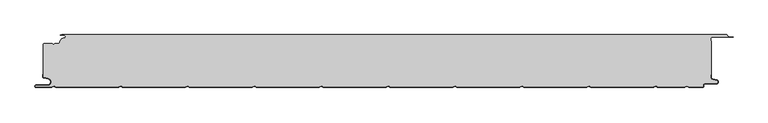
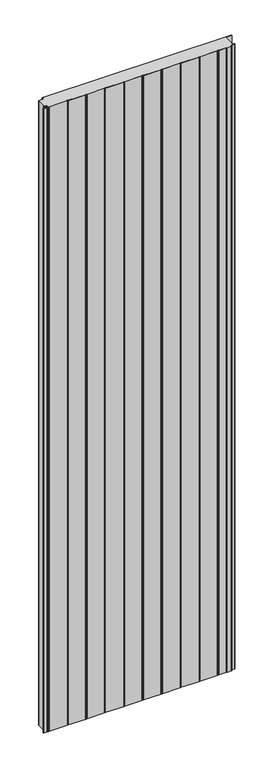
"""IFC4 building model written with IfcOpenShell, lengths in millimetres: plate geometry."""

from ifc_helpers import new_model, si_unit, point, frame, frame_2d, origin, origin_with_axes, place, context, project, spatial, polyline, circle_curve, trimmed, segment, composite_curve, outline, extrude, source, transform, mapped, element, save
from ifc_brep_helpers import plane_surface, cylinder_surface, revolved_surface, advanced_brep


def plate_1eeceeb3(model_context):
    return source(origin(), model_context, "Body", "SolidModel", [
        advanced_brep(
        [(523.8595905, -2.0325427, 3500.0), (522.5460884, -0.8, 3500.0), (-471.6637731, -0.8, 3500.0), (-474.0000003, -1.3234618, 3500.0), (-468.0000003, -1.3234618, 3500.0), (-468.1134423, -5.9206625, 3500.0), (-474.1919837, -12.028303, 3500.0), (-476.0000003, -13.9234618, 3500.0), (-482.1686293, -13.9234618, 3500.0), (-484.0000002, -15.7548327, 3500.0), (-485.831371, -13.9234618, 3500.0), (-497.4, -13.9234618, 3500.0), (-499.2, -15.7234618, 3500.0), (-499.2, -64.0038437, 3500.0), (-498.2083778, -65.185613, 3500.0), (-491.7622998, -66.3222305, 3500.0), (-492.7, -77.0401924, 3500.0), (-509.7, -77.0401924, 3500.0), (-509.7, -79.2401924, 3500.0), (-486.6751286, -79.2401924, 3500.0), (-484.45, -77.9555137, 3500.0), (-482.7606357, -77.9494241, 3500.0), (-480.4557934, -79.2, 3500.0), (-386.6055134, -79.2, 3500.0), (-384.45, -77.9555137, 3500.0), (-382.7606357, -77.9494241, 3500.0), (-380.4557934, -79.2, 3500.0), (-286.6055134, -79.2, 3500.0), (-284.45, -77.9555137, 3500.0), (-282.7606357, -77.9494242, 3500.0), (-280.4557934, -79.2, 3500.0), (-186.6055134, -79.2, 3500.0), (-184.45, -77.9555137, 3500.0), (-182.7606357, -77.9494242, 3500.0), (-180.4557934, -79.2, 3500.0), (-86.6055134, -79.2, 3500.0), (-84.45, -77.9555137, 3500.0), (-82.7606357, -77.9494242, 3500.0), (-80.4557934, -79.2, 3500.0), (13.3944866, -79.2, 3500.0), (15.55, -77.9555137, 3500.0), (17.2393643, -77.9494242, 3500.0), (19.5442066, -79.2, 3500.0), (113.3944866, -79.2, 3500.0), (115.55, -77.9555137, 3500.0), (117.2393643, -77.9494242, 3500.0), (119.5442066, -79.2, 3500.0), (213.3944866, -79.2, 3500.0), (215.55, -77.9555137, 3500.0), (217.2393643, -77.9494242, 3500.0), (219.5442066, -79.2, 3500.0), (313.3944866, -79.2, 3500.0), (315.55, -77.9555137, 3500.0), (317.2393643, -77.9494242, 3500.0), (319.5442066, -79.2, 3500.0), (413.3944866, -79.2, 3500.0), (415.55, -77.9555138, 3500.0), (417.2393643, -77.9494242, 3500.0), (419.5442066, -79.2000001, 3500.0), (460.2243041, -79.2000001, 3500.0), (462.3798174, -77.9555138, 3500.0), (464.0741626, -77.9522634, 3500.0), (466.3793035, -79.2401924, 3500.0), (487.0105556, -79.2401924, 3500.0), (487.6105556, -78.6401924, 3500.0), (487.6105556, -77.2401924, 3500.0), (491.0105556, -73.8401924, 3500.0), (507.5, -73.8401924, 3500.0), (507.9948923, -69.4965783, 3500.0), (501.8351664, -68.0744935, 3500.0), (499.2, -64.7616353, 3500.0), (499.2, -60.6401924, 3500.0), (500.0, -60.6401924, 3500.0), (500.0, -10.3245382, 3500.0), (499.2, -10.3245382, 3500.0), (499.2, -6.8245382, 3500.0), (502.0, -4.0245382, 3500.0), (532.5, -4.0245382, 3500.0), (525.8912786, -3.5911794, 3500.0), (523.8595905, -2.0325427, 0.0), (525.8912786, -3.5911794, 0.0), (532.5, -4.0245382, 0.0), (502.0, -4.0245382, 0.0), (499.2, -6.8245382, 0.0), (499.2, -10.3245382, 0.0), (500.0, -10.3245382, 0.0), (500.0, -60.6401924, 0.0), (499.2, -60.6401924, 0.0), (499.2, -64.7616353, 0.0), (501.8351664, -68.0744935, 0.0), (507.9948923, -69.4965783, 0.0), (507.5, -73.8401924, 0.0), (491.0105556, -73.8401924, 0.0), (487.6105556, -77.2401924, 0.0), (487.6105556, -78.6401924, 0.0), (487.0105556, -79.2401924, 0.0), (466.3793035, -79.2401924, 0.0), (464.0741626, -77.9522634, 0.0), (462.3798174, -77.9555138, 0.0), (460.2243041, -79.2000001, 0.0), (419.5442066, -79.2000001, 0.0), (417.2393643, -77.9494242, 0.0), (415.55, -77.9555138, 0.0), (413.3944866, -79.2, 0.0), (319.5442066, -79.2, 0.0), (317.2393643, -77.9494242, 0.0), (315.55, -77.9555137, 0.0), (313.3944866, -79.2, 0.0), (219.5442066, -79.2, 0.0), (217.2393643, -77.9494242, 0.0), (215.55, -77.9555137, 0.0), (213.3944866, -79.2, 0.0), (119.5442066, -79.2, 0.0), (117.2393643, -77.9494242, 0.0), (115.55, -77.9555137, 0.0), (113.3944866, -79.2, 0.0), (19.5442066, -79.2, 0.0), (17.2393643, -77.9494242, 0.0), (15.55, -77.9555137, 0.0), (13.3944866, -79.2, 0.0), (-80.4557934, -79.2, 0.0), (-82.7606357, -77.9494242, 0.0), (-84.45, -77.9555137, 0.0), (-86.6055134, -79.2, 0.0), (-180.4557934, -79.2, 0.0), (-182.7606357, -77.9494242, 0.0), (-184.45, -77.9555137, 0.0), (-186.6055134, -79.2, 0.0), (-280.4557934, -79.2, 0.0), (-282.7606357, -77.9494242, 0.0), (-284.45, -77.9555137, 0.0), (-286.6055134, -79.2, 0.0), (-380.4557934, -79.2, 0.0), (-382.7606357, -77.9494241, 0.0), (-384.45, -77.9555137, 0.0), (-386.6055134, -79.2, 0.0), (-480.4557934, -79.2, 0.0), (-482.7606357, -77.9494241, 0.0), (-484.45, -77.9555137, 0.0), (-486.6751286, -79.2401924, 0.0), (-509.7, -79.2401924, 0.0), (-509.7, -77.0401924, 0.0), (-492.7, -77.0401924, 0.0), (-491.7622998, -66.3222305, 0.0), (-498.2083778, -65.185613, 0.0), (-499.2, -64.0038437, 0.0), (-499.2, -15.7234618, 0.0), (-497.4, -13.9234618, 0.0), (-485.831371, -13.9234618, 0.0), (-484.0000002, -15.7548327, 0.0), (-482.1686293, -13.9234618, 0.0), (-476.0000003, -13.9234618, 0.0), (-474.2024882, -12.0288559, 0.0), (-468.1139291, -5.930521, 0.0), (-468.0000003, -1.3234618, 0.0), (-474.0000003, -1.3234618, 0.0), (-471.6637731, -0.8, 0.0), (522.5460884, -0.8, 0.0)],
        [
            (0, 1, circle_curve(frame((522.5460884, -2.116161, 3500.0), z_axis=(0.0, 0.0, 1.0), x_axis=(1.0, 0.0, 0.0)), 1.316161)),
            (1, 2),
            (2, 3),
            (3, 4),
            (4, 5, circle_curve(frame((-468.0000003, -3.6234618, 3500.0), z_axis=(0.0, 0.0, -1.0), x_axis=(1.0, 0.0, 0.0)), 2.3)),
            (5, 6, circle_curve(frame((-468.4000003, -11.7234618, 3500.0), z_axis=(0.0, 0.0, 1.0), x_axis=(1.0, 0.0, 0.0)), 5.8)),
            (6, 7, circle_curve(frame((-476.0000003, -12.1234618, 3500.0), z_axis=(0.0, 0.0, -1.0), x_axis=(1.0, 0.0, 0.0)), 1.8)),
            (7, 8),
            (8, 9),
            (9, 10),
            (10, 11),
            (11, 12, circle_curve(frame((-497.4, -15.7234618, 3500.0), z_axis=(0.0, 0.0, 1.0), x_axis=(1.0, 0.0, 0.0)), 1.8)),
            (12, 13),
            (13, 14, circle_curve(frame((-498.0, -64.0038437, 3500.0), z_axis=(0.0, 0.0, 1.0), x_axis=(1.0, 0.0, 0.0)), 1.2)),
            (14, 15),
            (15, 16, circle_curve(frame((-492.7, -71.6401924, 3500.0), z_axis=(0.0, 0.0, -1.0), x_axis=(1.0, 0.0, 0.0)), 5.4)),
            (16, 17),
            (17, 18, circle_curve(frame((-509.7, -78.1401924, 3500.0), z_axis=(0.0, 0.0, 1.0), x_axis=(1.0, 0.0, 0.0)), 1.1)),
            (18, 19),
            (19, 20),
            (20, 21, circle_curve(frame((-483.6, -79.4277569, 3500.0), z_axis=(0.0, 0.0, -1.0), x_axis=(1.0, 0.0, 0.0)), 1.7)),
            (21, 22),
            (22, 23),
            (23, 24),
            (24, 25, circle_curve(frame((-383.6, -79.4277569, 3500.0), z_axis=(0.0, 0.0, -1.0), x_axis=(1.0, 0.0, 0.0)), 1.7)),
            (25, 26),
            (26, 27),
            (27, 28),
            (28, 29, circle_curve(frame((-283.6, -79.4277569, 3500.0), z_axis=(0.0, 0.0, -1.0), x_axis=(1.0, 0.0, 0.0)), 1.7)),
            (29, 30),
            (30, 31),
            (31, 32),
            (32, 33, circle_curve(frame((-183.6, -79.4277569, 3500.0), z_axis=(0.0, 0.0, -1.0), x_axis=(1.0, 0.0, 0.0)), 1.7)),
            (33, 34),
            (34, 35),
            (35, 36),
            (36, 37, circle_curve(frame((-83.6, -79.4277569, 3500.0), z_axis=(0.0, 0.0, -1.0), x_axis=(1.0, 0.0, 0.0)), 1.7)),
            (37, 38),
            (38, 39),
            (39, 40),
            (40, 41, circle_curve(frame((16.4, -79.4277569, 3500.0), z_axis=(0.0, 0.0, -1.0), x_axis=(1.0, 0.0, 0.0)), 1.7)),
            (41, 42),
            (42, 43),
            (43, 44),
            (44, 45, circle_curve(frame((116.4, -79.4277569, 3500.0), z_axis=(0.0, 0.0, -1.0), x_axis=(1.0, 0.0, 0.0)), 1.7)),
            (45, 46),
            (46, 47),
            (47, 48),
            (48, 49, circle_curve(frame((216.4, -79.4277569, 3500.0), z_axis=(0.0, 0.0, -1.0), x_axis=(1.0, 0.0, 0.0)), 1.7)),
            (49, 50),
            (50, 51),
            (51, 52),
            (52, 53, circle_curve(frame((316.4, -79.4277569, 3500.0), z_axis=(0.0, 0.0, -1.0), x_axis=(1.0, 0.0, 0.0)), 1.7)),
            (53, 54),
            (54, 55),
            (55, 56),
            (56, 57, circle_curve(frame((416.4, -79.4277569, 3500.0), z_axis=(0.0, 0.0, -1.0), x_axis=(1.0, 0.0, 0.0)), 1.7)),
            (57, 58),
            (58, 59),
            (59, 60),
            (60, 61, circle_curve(frame((463.2298174, -79.4277569, 3500.0), z_axis=(0.0, 0.0, -1.0), x_axis=(1.0, 0.0, 0.0)), 1.7)),
            (61, 62),
            (62, 63),
            (63, 64, circle_curve(frame((487.0105556, -78.6401924, 3500.0), z_axis=(0.0, 0.0, 1.0), x_axis=(1.0, 0.0, 0.0)), 0.6)),
            (64, 65),
            (65, 66, circle_curve(frame((491.0105556, -77.2401924, 3500.0), z_axis=(0.0, 0.0, -1.0), x_axis=(1.0, 0.0, 0.0)), 3.4)),
            (66, 67),
            (67, 68, circle_curve(frame((507.5, -71.6401924, 3500.0), z_axis=(0.0, 0.0, 1.0), x_axis=(1.0, 0.0, 0.0)), 2.2)),
            (68, 69),
            (69, 70, circle_curve(frame((502.6, -64.7616353, 3500.0), z_axis=(0.0, 0.0, -1.0), x_axis=(1.0, 0.0, 0.0)), 3.4)),
            (70, 71),
            (71, 72),
            (72, 73),
            (73, 74),
            (74, 75),
            (75, 76, circle_curve(frame((502.0, -6.8245382, 3500.0), z_axis=(0.0, 0.0, -1.0), x_axis=(1.0, 0.0, 0.0)), 2.8)),
            (76, 77),
            (77, 78),
            (78, 0, circle_curve(frame((525.5561562, -1.9245382, 3500.0), z_axis=(0.0, 0.0, -1.0), x_axis=(1.0, 0.0, 0.0)), 1.7)),
            (79, 80, circle_curve(frame((525.5561562, -1.9245382, 0.0), z_axis=(0.0, 0.0, 1.0), x_axis=(1.0, 0.0, 0.0)), 1.7)),
            (80, 81),
            (81, 82),
            (82, 83, circle_curve(frame((502.0, -6.8245382, 0.0), z_axis=(0.0, 0.0, 1.0), x_axis=(1.0, 0.0, 0.0)), 2.8)),
            (83, 84),
            (84, 85),
            (85, 86),
            (86, 87),
            (87, 88),
            (88, 89, circle_curve(frame((502.6, -64.7616353, 0.0), z_axis=(0.0, 0.0, 1.0), x_axis=(1.0, 0.0, 0.0)), 3.4)),
            (89, 90),
            (90, 91, circle_curve(frame((507.5, -71.6401924, 0.0), z_axis=(0.0, 0.0, -1.0), x_axis=(1.0, 0.0, 0.0)), 2.2)),
            (91, 92),
            (92, 93, circle_curve(frame((491.0105556, -77.2401924, 0.0), z_axis=(0.0, 0.0, 1.0), x_axis=(1.0, 0.0, 0.0)), 3.4)),
            (93, 94),
            (94, 95, circle_curve(frame((487.0105556, -78.6401924, 0.0), z_axis=(0.0, 0.0, -1.0), x_axis=(1.0, 0.0, 0.0)), 0.6)),
            (95, 96),
            (96, 97),
            (97, 98, circle_curve(frame((463.2298174, -79.4277569, 0.0), z_axis=(0.0, 0.0, 1.0), x_axis=(1.0, 0.0, 0.0)), 1.7)),
            (98, 99),
            (99, 100),
            (100, 101),
            (101, 102, circle_curve(frame((416.4, -79.4277569, 0.0), z_axis=(0.0, 0.0, 1.0), x_axis=(1.0, 0.0, 0.0)), 1.7)),
            (102, 103),
            (103, 104),
            (104, 105),
            (105, 106, circle_curve(frame((316.4, -79.4277569, 0.0), z_axis=(0.0, 0.0, 1.0), x_axis=(1.0, 0.0, 0.0)), 1.7)),
            (106, 107),
            (107, 108),
            (108, 109),
            (109, 110, circle_curve(frame((216.4, -79.4277569, 0.0), z_axis=(0.0, 0.0, 1.0), x_axis=(1.0, 0.0, 0.0)), 1.7)),
            (110, 111),
            (111, 112),
            (112, 113),
            (113, 114, circle_curve(frame((116.4, -79.4277569, 0.0), z_axis=(0.0, 0.0, 1.0), x_axis=(1.0, 0.0, 0.0)), 1.7)),
            (114, 115),
            (115, 116),
            (116, 117),
            (117, 118, circle_curve(frame((16.4, -79.4277569, 0.0), z_axis=(0.0, 0.0, 1.0), x_axis=(1.0, 0.0, 0.0)), 1.7)),
            (118, 119),
            (119, 120),
            (120, 121),
            (121, 122, circle_curve(frame((-83.6, -79.4277569, 0.0), z_axis=(0.0, 0.0, 1.0), x_axis=(1.0, 0.0, 0.0)), 1.7)),
            (122, 123),
            (123, 124),
            (124, 125),
            (125, 126, circle_curve(frame((-183.6, -79.4277569, 0.0), z_axis=(0.0, 0.0, 1.0), x_axis=(1.0, 0.0, 0.0)), 1.7)),
            (126, 127),
            (127, 128),
            (128, 129),
            (129, 130, circle_curve(frame((-283.6, -79.4277569, 0.0), z_axis=(0.0, 0.0, 1.0), x_axis=(1.0, 0.0, 0.0)), 1.7)),
            (130, 131),
            (131, 132),
            (132, 133),
            (133, 134, circle_curve(frame((-383.6, -79.4277569, 0.0), z_axis=(0.0, 0.0, 1.0), x_axis=(1.0, 0.0, 0.0)), 1.7)),
            (134, 135),
            (135, 136),
            (136, 137),
            (137, 138, circle_curve(frame((-483.6, -79.4277569, 0.0), z_axis=(0.0, 0.0, 1.0), x_axis=(1.0, 0.0, 0.0)), 1.7)),
            (138, 139),
            (139, 140),
            (140, 141, circle_curve(frame((-509.7, -78.1401924, 0.0), z_axis=(0.0, 0.0, -1.0), x_axis=(1.0, 0.0, 0.0)), 1.1)),
            (141, 142),
            (142, 143, circle_curve(frame((-492.7, -71.6401924, 0.0), z_axis=(0.0, 0.0, 1.0), x_axis=(1.0, 0.0, 0.0)), 5.4)),
            (143, 144),
            (144, 145, circle_curve(frame((-498.0, -64.0038437, 0.0), z_axis=(0.0, 0.0, -1.0), x_axis=(1.0, 0.0, 0.0)), 1.2)),
            (145, 146),
            (146, 147, circle_curve(frame((-497.4, -15.7234618, 0.0), z_axis=(0.0, 0.0, -1.0), x_axis=(1.0, 0.0, 0.0)), 1.8)),
            (147, 148),
            (148, 149),
            (149, 150),
            (150, 151),
            (151, 152, circle_curve(frame((-476.0000003, -12.1234618, 0.0), z_axis=(0.0, 0.0, 1.0), x_axis=(1.0, 0.0, 0.0)), 1.8)),
            (152, 153, circle_curve(frame((-468.4000003, -11.7234618, 0.0), z_axis=(0.0, 0.0, -1.0), x_axis=(1.0, 0.0, 0.0)), 5.8)),
            (153, 154, circle_curve(frame((-468.0000003, -3.6234618, 0.0), z_axis=(0.0, 0.0, 1.0), x_axis=(1.0, 0.0, 0.0)), 2.3)),
            (154, 155),
            (155, 156),
            (156, 157),
            (157, 79, circle_curve(frame((522.5460884, -2.116161, 0.0), z_axis=(0.0, 0.0, -1.0), x_axis=(1.0, 0.0, 0.0)), 1.316161)),
            (0, 79),
            (157, 1),
            (156, 2),
            (155, 3),
            (154, 4),
            (153, 5),
            (152, 6),
            (151, 7),
            (150, 8),
            (149, 9),
            (148, 10),
            (147, 11),
            (146, 12),
            (145, 13),
            (144, 14),
            (143, 15),
            (142, 16),
            (141, 17),
            (140, 18),
            (139, 19),
            (138, 20),
            (137, 21),
            (136, 22),
            (135, 23),
            (134, 24),
            (133, 25),
            (132, 26),
            (131, 27),
            (130, 28),
            (129, 29),
            (128, 30),
            (127, 31),
            (126, 32),
            (125, 33),
            (124, 34),
            (123, 35),
            (122, 36),
            (121, 37),
            (120, 38),
            (119, 39),
            (118, 40),
            (117, 41),
            (116, 42),
            (115, 43),
            (114, 44),
            (113, 45),
            (112, 46),
            (111, 47),
            (110, 48),
            (109, 49),
            (108, 50),
            (107, 51),
            (106, 52),
            (105, 53),
            (104, 54),
            (103, 55),
            (102, 56),
            (101, 57),
            (100, 58),
            (99, 59),
            (98, 60),
            (97, 61),
            (96, 62),
            (95, 63),
            (94, 64),
            (93, 65),
            (92, 66),
            (91, 67),
            (90, 68),
            (89, 69),
            (88, 70),
            (87, 71),
            (86, 72),
            (85, 73),
            (84, 74),
            (83, 75),
            (82, 76),
            (81, 77),
            (80, 78),
        ],
        [
            plane_surface(frame((-500.0, -80.0, 3500.0), z_axis=(0.0, 0.0, 1.0), x_axis=(0.0, 1.0, 0.0))),
            plane_surface(frame((-500.0, -80.0, 0.0), z_axis=(0.0, 0.0, -1.0), x_axis=(0.0, 1.0, 0.0))),
            cylinder_surface(frame((522.5460884, -2.116161, 3500.0), z_axis=(0.0, 0.0, 1.0), x_axis=(1.0, 0.0, 0.0)), 1.316161),
            plane_surface(frame((522.5460884, -0.8, 3500.0), z_axis=(0.0, 1.0, 0.0), x_axis=(0.0, 0.0, -1.0))),
            plane_surface(frame((-471.6637731, -0.8, 3500.0), z_axis=(-0.21864173282829805, 0.9758052022129412, 0.0), x_axis=(0.0, 0.0, -1.0))),
            plane_surface(frame((-474.0000003, -1.3234618, 3500.0), z_axis=(0.0, -1.0, 0.0), x_axis=(0.0, 0.0, -1.0))),
            revolved_surface(polyline([(-465.7000003, -3.6234618, 0.0), (-465.7000003, -3.6234618, 3500.0)]), (-468.0000003, -3.6234618, 3500.0), (0.0, 0.0, -1.0)),
            cylinder_surface(frame((-468.4000003, -11.7234618, 3500.0), z_axis=(0.0, 0.0, 1.0), x_axis=(1.0, 0.0, 0.0)), 5.8),
            revolved_surface(polyline([(-474.2000003, -12.1234618, 0.0), (-474.2000003, -12.1234618, 3500.0)]), (-476.0000003, -12.1234618, 3500.0), (0.0, 0.0, -1.0)),
            plane_surface(frame((-476.0000003, -13.9234618, 3500.0), z_axis=(0.0, 1.0, 0.0), x_axis=(0.0, 0.0, -1.0))),
            plane_surface(frame((-482.1686293, -13.9234618, 3500.0), z_axis=(-0.7071067810231402, 0.7071067813499549, 0.0), x_axis=(0.0, 0.0, -1.0))),
            plane_surface(frame((-484.0000002, -15.7548327, 3500.0), z_axis=(0.7071067813499549, 0.7071067810231403, 0.0), x_axis=(0.0, 0.0, -1.0))),
            plane_surface(frame((-485.831371, -13.9234618, 3500.0), z_axis=(0.0, 1.0, 0.0), x_axis=(0.0, 0.0, -1.0))),
            cylinder_surface(frame((-497.4, -15.7234618, 3500.0), z_axis=(0.0, 0.0, 1.0), x_axis=(1.0, 0.0, 0.0)), 1.8),
            plane_surface(frame((-499.2, -17.1226667, 3500.0), z_axis=(-1.0, 0.0, 0.0), x_axis=(0.0, 0.0, -1.0))),
            cylinder_surface(frame((-498.0, -64.0038437, 3500.0), z_axis=(0.0, 0.0, 1.0), x_axis=(1.0, 0.0, 0.0)), 1.2),
            plane_surface(frame((-498.2083778, -65.185613, 3500.0), z_axis=(-0.1736481776669248, -0.984807753012209, 0.0), x_axis=(0.0, 0.0, -1.0))),
            revolved_surface(polyline([(-487.3, -71.6401924, 0.0), (-487.3, -71.6401924, 3500.0)]), (-492.7, -71.6401924, 3500.0), (0.0, 0.0, -1.0)),
            plane_surface(frame((-492.7, -77.0401924, 3500.0), z_axis=(0.0, 1.0, 0.0), x_axis=(0.0, 0.0, -1.0))),
            cylinder_surface(frame((-509.7, -78.1401924, 3500.0), z_axis=(0.0, 0.0, 1.0), x_axis=(1.0, 0.0, 0.0)), 1.1),
            plane_surface(frame((-509.7, -79.2401924, 3500.0), z_axis=(0.0, -1.0, 0.0), x_axis=(0.0, 0.0, -1.0))),
            plane_surface(frame((-486.6751286, -79.2401924, 3500.0), z_axis=(0.5000000299311667, -0.8660253865036709, 0.0), x_axis=(0.0, 0.0, -1.0))),
            revolved_surface(polyline([(-481.90000000000003, -79.4277569, 0.0), (-481.90000000000003, -79.4277569, 3500.0)]), (-483.6, -79.4277569, 3500.0), (0.0, 0.0, -1.0)),
            plane_surface(frame((-482.7606357, -77.9494241, 3500.0), z_axis=(-0.47690797328217005, -0.878953232555574, 0.0), x_axis=(0.0, 0.0, -1.0))),
            plane_surface(frame((-480.4557934, -79.2, 3500.0), z_axis=(0.0, -1.0, 0.0), x_axis=(0.0, 0.0, -1.0))),
            plane_surface(frame((-386.6055134, -79.2, 3500.0), z_axis=(0.5000000299307237, -0.8660253865039267, 0.0), x_axis=(0.0, 0.0, -1.0))),
            revolved_surface(polyline([(-381.90000000000003, -79.4277569, 0.0), (-381.90000000000003, -79.4277569, 3500.0)]), (-383.6, -79.4277569, 3500.0), (0.0, 0.0, -1.0)),
            plane_surface(frame((-382.7606357, -77.9494241, 3500.0), z_axis=(-0.4769079732821666, -0.8789532325555759, 0.0), x_axis=(0.0, 0.0, -1.0))),
            plane_surface(frame((-380.4557934, -79.2, 3500.0), z_axis=(0.0, -1.0, 0.0), x_axis=(0.0, 0.0, -1.0))),
            plane_surface(frame((-286.6055134, -79.2, 3500.0), z_axis=(0.5000000299311692, -0.8660253865036693, 0.0), x_axis=(0.0, 0.0, -1.0))),
            revolved_surface(polyline([(-281.90000000000003, -79.4277569, 0.0), (-281.90000000000003, -79.4277569, 3500.0)]), (-283.6, -79.4277569, 3500.0), (0.0, 0.0, -1.0)),
            plane_surface(frame((-282.7606357, -77.9494242, 3500.0), z_axis=(-0.4769079732821966, -0.8789532325555597, 0.0), x_axis=(0.0, 0.0, -1.0))),
            plane_surface(frame((-280.4557934, -79.2, 3500.0), z_axis=(0.0, -1.0, 0.0), x_axis=(0.0, 0.0, -1.0))),
            plane_surface(frame((-186.6055134, -79.2, 3500.0), z_axis=(0.5000000299307252, -0.8660253865039258, 0.0), x_axis=(0.0, 0.0, -1.0))),
            revolved_surface(polyline([(-181.9, -79.4277569, 0.0), (-181.9, -79.4277569, 3500.0)]), (-183.6, -79.4277569, 3500.0), (0.0, 0.0, -1.0)),
            plane_surface(frame((-182.7606357, -77.9494242, 3500.0), z_axis=(-0.4769079732823461, -0.8789532325554785, 0.0), x_axis=(0.0, 0.0, -1.0))),
            plane_surface(frame((-180.4557934, -79.2, 3500.0), z_axis=(0.0, -1.0, 0.0), x_axis=(0.0, 0.0, -1.0))),
            plane_surface(frame((-86.6055134, -79.2, 3500.0), z_axis=(0.5000000299313181, -0.8660253865035835, 0.0), x_axis=(0.0, 0.0, -1.0))),
            revolved_surface(polyline([(-81.89999999999999, -79.4277569, 0.0), (-81.89999999999999, -79.4277569, 3500.0)]), (-83.6, -79.4277569, 3500.0), (0.0, 0.0, -1.0)),
            plane_surface(frame((-82.7606357, -77.9494242, 3500.0), z_axis=(-0.4769079732823407, -0.8789532325554815, 0.0), x_axis=(0.0, 0.0, -1.0))),
            plane_surface(frame((-80.4557934, -79.2, 3500.0), z_axis=(0.0, -1.0, 0.0), x_axis=(0.0, 0.0, -1.0))),
            plane_surface(frame((13.3944866, -79.2, 3500.0), z_axis=(0.500000029930723, -0.866025386503927, 0.0), x_axis=(0.0, 0.0, -1.0))),
            revolved_surface(polyline([(18.099999999999998, -79.4277569, 0.0), (18.099999999999998, -79.4277569, 3500.0)]), (16.4, -79.4277569, 3500.0), (0.0, 0.0, -1.0)),
            plane_surface(frame((17.2393643, -77.9494242, 3500.0), z_axis=(-0.4769079732822356, -0.8789532325555385, 0.0), x_axis=(0.0, 0.0, -1.0))),
            plane_surface(frame((19.5442066, -79.2, 3500.0), z_axis=(0.0, -1.0, 0.0), x_axis=(0.0, 0.0, -1.0))),
            plane_surface(frame((113.3944866, -79.2, 3500.0), z_axis=(0.5000000299311671, -0.8660253865036706, 0.0), x_axis=(0.0, 0.0, -1.0))),
            revolved_surface(polyline([(118.10000000000001, -79.4277569, 0.0), (118.10000000000001, -79.4277569, 3500.0)]), (116.4, -79.4277569, 3500.0), (0.0, 0.0, -1.0)),
            plane_surface(frame((117.2393643, -77.9494242, 3500.0), z_axis=(-0.4769079732821772, -0.8789532325555701, 0.0), x_axis=(0.0, 0.0, -1.0))),
            plane_surface(frame((119.5442066, -79.2, 3500.0), z_axis=(0.0, -1.0, 0.0), x_axis=(0.0, 0.0, -1.0))),
            plane_surface(frame((213.3944866, -79.2, 3500.0), z_axis=(0.5000000299307268, -0.8660253865039248, 0.0), x_axis=(0.0, 0.0, -1.0))),
            revolved_surface(polyline([(218.1, -79.4277569, 0.0), (218.1, -79.4277569, 3500.0)]), (216.4, -79.4277569, 3500.0), (0.0, 0.0, -1.0)),
            plane_surface(frame((217.2393643, -77.9494242, 3500.0), z_axis=(-0.4769079732821906, -0.8789532325555629, 0.0), x_axis=(0.0, 0.0, -1.0))),
            plane_surface(frame((219.5442066, -79.2, 3500.0), z_axis=(0.0, -1.0, 0.0), x_axis=(0.0, 0.0, -1.0))),
            plane_surface(frame((313.3944866, -79.2, 3500.0), z_axis=(0.5000000299311079, -0.8660253865037049, 0.0), x_axis=(0.0, 0.0, -1.0))),
            revolved_surface(polyline([(318.09999999999997, -79.4277569, 0.0), (318.09999999999997, -79.4277569, 3500.0)]), (316.4, -79.4277569, 3500.0), (0.0, 0.0, -1.0)),
            plane_surface(frame((317.2393643, -77.9494242, 3500.0), z_axis=(-0.476907973282159, -0.8789532325555801, 0.0), x_axis=(0.0, 0.0, -1.0))),
            plane_surface(frame((319.5442066, -79.2, 3500.0), z_axis=(0.0, -1.0, 0.0), x_axis=(0.0, 0.0, -1.0))),
            plane_surface(frame((413.3944866, -79.2, 3500.0), z_axis=(0.5000000299307292, -0.8660253865039235, 0.0), x_axis=(0.0, 0.0, -1.0))),
            revolved_surface(polyline([(418.09999999999997, -79.4277569, 0.0), (418.09999999999997, -79.4277569, 3500.0)]), (416.4, -79.4277569, 3500.0), (0.0, 0.0, -1.0)),
            plane_surface(frame((417.2393643, -77.9494242, 3500.0), z_axis=(-0.47690797328237156, -0.8789532325554646, 0.0), x_axis=(0.0, 0.0, -1.0))),
            plane_surface(frame((419.5442066, -79.2000001, 3500.0), z_axis=(0.0, -1.0, 0.0), x_axis=(0.0, 0.0, -1.0))),
            plane_surface(frame((460.2243041, -79.2000001, 3500.0), z_axis=(0.5000000299306834, -0.86602538650395, 0.0), x_axis=(0.0, 0.0, -1.0))),
            revolved_surface(polyline([(464.9298174, -79.4277569, 0.0), (464.9298174, -79.4277569, 3500.0)]), (463.2298174, -79.4277569, 3500.0), (0.0, 0.0, -1.0)),
            plane_surface(frame((464.0741626, -77.9522634, 3500.0), z_axis=(-0.48775269747067673, -0.8729818475260975, 0.0), x_axis=(0.0, 0.0, -1.0))),
            plane_surface(frame((466.3793035, -79.2401924, 3500.0), z_axis=(0.0, -1.0, 0.0), x_axis=(0.0, 0.0, -1.0))),
            cylinder_surface(frame((487.0105556, -78.6401924, 3500.0), z_axis=(0.0, 0.0, 1.0), x_axis=(1.0, 0.0, 0.0)), 0.6),
            plane_surface(frame((487.6105556, -78.6401924, 3500.0), z_axis=(1.0, 0.0, 0.0), x_axis=(0.0, 0.0, -1.0))),
            revolved_surface(polyline([(494.41055559999995, -77.2401924, 0.0), (494.41055559999995, -77.2401924, 3500.0)]), (491.0105556, -77.2401924, 3500.0), (0.0, 0.0, -1.0)),
            plane_surface(frame((491.0105556, -73.8401924, 3500.0), z_axis=(0.0, -1.0, 0.0), x_axis=(0.0, 0.0, -1.0))),
            cylinder_surface(frame((507.5, -71.6401924, 3500.0), z_axis=(0.0, 0.0, 1.0), x_axis=(1.0, 0.0, 0.0)), 2.2),
            plane_surface(frame((507.9948923, -69.4965783, 3500.0), z_axis=(0.22495105434371662, 0.9743700647852696, 0.0), x_axis=(0.0, 0.0, -1.0))),
            revolved_surface(polyline([(506.0, -64.7616353, 0.0), (506.0, -64.7616353, 3500.0)]), (502.6, -64.7616353, 3500.0), (0.0, 0.0, -1.0)),
            plane_surface(frame((499.2, -64.7616353, 3500.0), z_axis=(1.0, 0.0, 0.0), x_axis=(0.0, 0.0, -1.0))),
            plane_surface(frame((499.2, -60.6401924, 3500.0), z_axis=(0.0, -1.0, 0.0), x_axis=(0.0, 0.0, -1.0))),
            plane_surface(frame((500.0, -60.6401924, 3500.0), z_axis=(1.0, 0.0, 0.0), x_axis=(0.0, 0.0, -1.0))),
            plane_surface(frame((500.0, -10.3245382, 3500.0), z_axis=(0.0, 1.0, 0.0), x_axis=(0.0, 0.0, -1.0))),
            plane_surface(frame((499.2, -10.3245382, 3500.0), z_axis=(1.0, 0.0, 0.0), x_axis=(0.0, 0.0, -1.0))),
            revolved_surface(polyline([(504.8, -6.8245382, 0.0), (504.8, -6.8245382, 3500.0)]), (502.0, -6.8245382, 3500.0), (0.0, 0.0, -1.0)),
            plane_surface(frame((502.0, -4.0245382, 3500.0), z_axis=(0.0, -1.0, 0.0), x_axis=(0.0, 0.0, -1.0))),
            plane_surface(frame((532.5, -4.0245382, 3500.0), z_axis=(0.06543324256078456, 0.9978569490503043, 0.0), x_axis=(0.0, 0.0, -1.0))),
            revolved_surface(polyline([(527.2561562000001, -1.9245382, 0.0), (527.2561562000001, -1.9245382, 3500.0)]), (525.5561562, -1.9245382, 3500.0), (0.0, 0.0, -1.0)),
        ],
        [
            (0, [[1, 2, 3, 4, 5, 6, 7, 8, 9, 10, 11, 12, 13, 14, 15, 16, 17, 18, 19, 20, 21, 22, 23, 24, 25, 26, 27, 28, 29, 30, 31, 32, 33, 34, 35, 36, 37, 38, 39, 40, 41, 42, 43, 44, 45, 46, 47, 48, 49, 50, 51, 52, 53, 54, 55, 56, 57, 58, 59, 60, 61, 62, 63, 64, 65, 66, 67, 68, 69, 70, 71, 72, 73, 74, 75, 76, 77, 78, 79]]),
            (1, [[80, 81, 82, 83, 84, 85, 86, 87, 88, 89, 90, 91, 92, 93, 94, 95, 96, 97, 98, 99, 100, 101, 102, 103, 104, 105, 106, 107, 108, 109, 110, 111, 112, 113, 114, 115, 116, 117, 118, 119, 120, 121, 122, 123, 124, 125, 126, 127, 128, 129, 130, 131, 132, 133, 134, 135, 136, 137, 138, 139, 140, 141, 142, 143, 144, 145, 146, 147, 148, 149, 150, 151, 152, 153, 154, 155, 156, 157, 158]]),
            (2, [[-1, 159, -158, 160]]),
            (3, [[-2, -160, -157, 161]]),
            (4, [[-3, -161, -156, 162]]),
            (5, [[-4, -162, -155, 163]]),
            (6, [[-5, -163, -154, 164]]),
            (7, [[-6, -164, -153, 165]]),
            (8, [[-7, -165, -152, 166]]),
            (9, [[-8, -166, -151, 167]]),
            (10, [[-9, -167, -150, 168]]),
            (11, [[-10, -168, -149, 169]]),
            (12, [[-11, -169, -148, 170]]),
            (13, [[-12, -170, -147, 171]]),
            (14, [[-171, -146, 172, -13]]),
            (15, [[-14, -172, -145, 173]]),
            (16, [[-15, -173, -144, 174]]),
            (17, [[-16, -174, -143, 175]]),
            (18, [[-17, -175, -142, 176]]),
            (19, [[-18, -176, -141, 177]]),
            (20, [[-19, -177, -140, 178]]),
            (21, [[-20, -178, -139, 179]]),
            (22, [[-21, -179, -138, 180]]),
            (23, [[-22, -180, -137, 181]]),
            (24, [[-23, -181, -136, 182]]),
            (25, [[-24, -182, -135, 183]]),
            (26, [[-25, -183, -134, 184]]),
            (27, [[-26, -184, -133, 185]]),
            (28, [[-27, -185, -132, 186]]),
            (29, [[-28, -186, -131, 187]]),
            (30, [[-29, -187, -130, 188]]),
            (31, [[-30, -188, -129, 189]]),
            (32, [[-31, -189, -128, 190]]),
            (33, [[-32, -190, -127, 191]]),
            (34, [[-33, -191, -126, 192]]),
            (35, [[-34, -192, -125, 193]]),
            (36, [[-35, -193, -124, 194]]),
            (37, [[-36, -194, -123, 195]]),
            (38, [[-37, -195, -122, 196]]),
            (39, [[-38, -196, -121, 197]]),
            (40, [[-39, -197, -120, 198]]),
            (41, [[-40, -198, -119, 199]]),
            (42, [[-41, -199, -118, 200]]),
            (43, [[-42, -200, -117, 201]]),
            (44, [[-43, -201, -116, 202]]),
            (45, [[-44, -202, -115, 203]]),
            (46, [[-45, -203, -114, 204]]),
            (47, [[-46, -204, -113, 205]]),
            (48, [[-47, -205, -112, 206]]),
            (49, [[-48, -206, -111, 207]]),
            (50, [[-49, -207, -110, 208]]),
            (51, [[-50, -208, -109, 209]]),
            (52, [[-51, -209, -108, 210]]),
            (53, [[-52, -210, -107, 211]]),
            (54, [[-53, -211, -106, 212]]),
            (55, [[-54, -212, -105, 213]]),
            (56, [[-55, -213, -104, 214]]),
            (57, [[-56, -214, -103, 215]]),
            (58, [[-57, -215, -102, 216]]),
            (59, [[-58, -216, -101, 217]]),
            (60, [[-59, -217, -100, 218]]),
            (61, [[-60, -218, -99, 219]]),
            (62, [[-61, -219, -98, 220]]),
            (63, [[-62, -220, -97, 221]]),
            (64, [[-63, -221, -96, 222]]),
            (65, [[-64, -222, -95, 223]]),
            (66, [[-65, -223, -94, 224]]),
            (67, [[-66, -224, -93, 225]]),
            (68, [[-67, -225, -92, 226]]),
            (69, [[-68, -226, -91, 227]]),
            (70, [[-69, -227, -90, 228]]),
            (71, [[-70, -228, -89, 229]]),
            (72, [[-71, -229, -88, 230]]),
            (73, [[-72, -230, -87, 231]]),
            (74, [[-73, -231, -86, 232]]),
            (75, [[-74, -232, -85, 233]]),
            (76, [[-75, -233, -84, 234]]),
            (77, [[-76, -234, -83, 235]]),
            (78, [[-77, -235, -82, 236]]),
            (79, [[-78, -236, -81, 237]]),
            (80, [[-79, -237, -80, -159]]),
        ],
    ),
        extrude(outline(composite_curve([segment(trimmed(circle_curve(frame_2d((-498.0, -63.9636514)), 2.0), [point((-498.3472964, -65.9332669))], [point((-500.0, -63.9636514))], False, "CARTESIAN"), True, "CONTINUOUS"), segment(polyline([(-500.0, -63.9636514), (-500.0, -60.6), (-499.2, -60.6), (-499.2, -63.9636514)]), True, "CONTINUOUS"), segment(trimmed(circle_curve(frame_2d((-498.0, -63.9636514)), 1.2), [point((-499.2, -63.9636514))], [point((-498.2083778, -65.1454207))], True, "CARTESIAN"), True, "CONTINUOUS"), segment(polyline([(-498.2083778, -65.1454207), (-491.7622998, -66.2820381)]), True, "CONTINUOUS"), segment(trimmed(circle_curve(frame_2d((-492.7, -71.6)), 5.4), [point((-491.7622998, -66.2820381))], [point((-492.7, -77.0))], False, "CARTESIAN"), True, "CONTINUOUS"), segment(polyline([(-492.7, -77.0), (-509.7, -77.0)]), True, "CONTINUOUS"), segment(trimmed(circle_curve(frame_2d((-509.7, -78.1)), 1.1), [point((-509.7, -77.0))], [point((-509.7, -79.2))], True, "CARTESIAN"), True, "CONTINUOUS"), segment(polyline([(-509.7, -79.2), (-486.6751286, -79.2), (-484.45, -77.9153213)]), True, "CONTINUOUS"), segment(trimmed(circle_curve(frame_2d((-483.6, -79.3875645)), 1.7), [point((-484.45, -77.9153213))], [point((-482.7606357, -77.9092318))], False, "CARTESIAN"), True, "CONTINUOUS"), segment(polyline([(-482.7606357, -77.9092318), (-480.4557934, -79.1598076), (-386.6055134, -79.1598076), (-384.4500001, -77.9153213)]), True, "CONTINUOUS"), segment(trimmed(circle_curve(frame_2d((-383.6, -79.3875645)), 1.7), [point((-384.4500001, -77.9153213))], [point((-382.7606357, -77.9092318))], False, "CARTESIAN"), True, "CONTINUOUS"), segment(polyline([(-382.7606357, -77.9092318), (-380.4557934, -79.1598076), (-286.6055134, -79.1598076), (-284.4500001, -77.9153213)]), True, "CONTINUOUS"), segment(trimmed(circle_curve(frame_2d((-283.6, -79.3875645)), 1.7), [point((-284.4500001, -77.9153213))], [point((-282.7606357, -77.9092318))], False, "CARTESIAN"), True, "CONTINUOUS"), segment(polyline([(-282.7606357, -77.9092318), (-280.4557934, -79.1598076), (-186.6055134, -79.1598076), (-184.4500001, -77.9153213)]), True, "CONTINUOUS"), segment(trimmed(circle_curve(frame_2d((-183.6, -79.3875645)), 1.7), [point((-184.4500001, -77.9153213))], [point((-182.7606357, -77.9092318))], False, "CARTESIAN"), True, "CONTINUOUS"), segment(polyline([(-182.7606357, -77.9092318), (-180.4557934, -79.1598076), (-86.6055134, -79.1598076), (-84.4500001, -77.9153214)]), True, "CONTINUOUS"), segment(trimmed(circle_curve(frame_2d((-83.6, -79.3875645)), 1.7), [point((-84.4500001, -77.9153214))], [point((-82.7606357, -77.9092318))], False, "CARTESIAN"), True, "CONTINUOUS"), segment(polyline([(-82.7606357, -77.9092318), (-80.4557934, -79.1598077), (13.3944866, -79.1598077), (15.5499999, -77.9153214)]), True, "CONTINUOUS"), segment(trimmed(circle_curve(frame_2d((16.4, -79.3875645)), 1.7), [point((15.5499999, -77.9153214))], [point((17.2393643, -77.9092318))], False, "CARTESIAN"), True, "CONTINUOUS"), segment(polyline([(17.2393643, -77.9092318), (19.5442066, -79.1598077), (113.3944866, -79.1598077), (115.5499999, -77.9153214)]), True, "CONTINUOUS"), segment(trimmed(circle_curve(frame_2d((116.4, -79.3875645)), 1.7), [point((115.5499999, -77.9153214))], [point((117.2393643, -77.9092318))], False, "CARTESIAN"), True, "CONTINUOUS"), segment(polyline([(117.2393643, -77.9092318), (119.5442066, -79.1598077), (213.3944866, -79.1598077), (215.5499999, -77.9153214)]), True, "CONTINUOUS"), segment(trimmed(circle_curve(frame_2d((216.4, -79.3875645)), 1.7), [point((215.5499999, -77.9153214))], [point((217.2393643, -77.9092318))], False, "CARTESIAN"), True, "CONTINUOUS"), segment(polyline([(217.2393643, -77.9092318), (219.5442066, -79.1598077), (313.3944866, -79.1598077), (315.5499999, -77.9153214)]), True, "CONTINUOUS"), segment(trimmed(circle_curve(frame_2d((316.4, -79.3875645)), 1.7), [point((315.5499999, -77.9153214))], [point((317.2393643, -77.9092318))], False, "CARTESIAN"), True, "CONTINUOUS"), segment(polyline([(317.2393643, -77.9092318), (319.5442066, -79.1598077), (413.3944866, -79.1598077), (415.5499999, -77.9153214)]), True, "CONTINUOUS"), segment(trimmed(circle_curve(frame_2d((416.4, -79.3875645)), 1.7), [point((415.5499999, -77.9153214))], [point((417.2393643, -77.9092318))], False, "CARTESIAN"), True, "CONTINUOUS"), segment(polyline([(417.2393643, -77.9092318), (419.5442066, -79.1598077), (460.224304, -79.1598077), (462.3798174, -77.9153214)]), True, "CONTINUOUS"), segment(trimmed(circle_curve(frame_2d((463.2298174, -79.3875646)), 1.7), [point((462.3798174, -77.9153214))], [point((464.0741625, -77.912071))], False, "CARTESIAN"), True, "CONTINUOUS"), segment(polyline([(464.0741625, -77.912071), (466.3793035, -79.2), (487.0105556, -79.2)]), True, "CONTINUOUS"), segment(trimmed(circle_curve(frame_2d((487.0105556, -78.6)), 0.6), [point((487.0105556, -79.2))], [point((487.6105556, -78.6))], True, "CARTESIAN"), True, "CONTINUOUS"), segment(polyline([(487.6105556, -78.6), (487.6105556, -77.2)]), True, "CONTINUOUS"), segment(trimmed(circle_curve(frame_2d((491.0105556, -77.2)), 3.4), [point((487.6105556, -77.2))], [point((491.0105556, -73.8))], False, "CARTESIAN"), True, "CONTINUOUS"), segment(polyline([(491.0105556, -73.8), (507.5, -73.8)]), True, "CONTINUOUS"), segment(trimmed(circle_curve(frame_2d((507.5, -71.6)), 2.2), [point((507.5, -73.8))], [point((507.9948923, -69.4563859))], True, "CARTESIAN"), True, "CONTINUOUS"), segment(polyline([(507.9948923, -69.4563859), (501.8351664, -68.0343011)]), True, "CONTINUOUS"), segment(trimmed(circle_curve(frame_2d((502.6, -64.7214429)), 3.4), [point((501.8351664, -68.0343011))], [point((499.2, -64.7214429))], False, "CARTESIAN"), True, "CONTINUOUS"), segment(polyline([(499.2, -64.7214429), (499.2, -60.6), (500.0, -60.6), (500.0, -64.7214429)]), True, "CONTINUOUS"), segment(trimmed(circle_curve(frame_2d((502.6, -64.7214429)), 2.6), [point((500.0, -64.7214429))], [point((502.0151273, -67.2548051))], True, "CARTESIAN"), True, "CONTINUOUS"), segment(polyline([(502.0151273, -67.2548051), (508.1748532, -68.6768899)]), True, "CONTINUOUS"), segment(trimmed(circle_curve(frame_2d((507.5, -71.6)), 3.0), [point((508.1748532, -68.6768899))], [point((507.5, -74.6))], False, "CARTESIAN"), True, "CONTINUOUS"), segment(polyline([(507.5, -74.6), (491.0105556, -74.6)]), True, "CONTINUOUS"), segment(trimmed(circle_curve(frame_2d((491.0105556, -77.2)), 2.6), [point((491.0105556, -74.6))], [point((488.4105556, -77.2))], True, "CARTESIAN"), True, "CONTINUOUS"), segment(polyline([(488.4105556, -77.2), (488.4105556, -78.6)]), True, "CONTINUOUS"), segment(trimmed(circle_curve(frame_2d((487.0105556, -78.6)), 1.4), [point((488.4105556, -78.6))], [point((487.0105556, -80.0))], False, "CARTESIAN"), True, "CONTINUOUS"), segment(polyline([(487.0105556, -80.0), (466.1709714, -80.0), (463.6798174, -78.6081417)]), True, "CONTINUOUS"), segment(trimmed(circle_curve(frame_2d((463.2298174, -79.3875646)), 0.9), [point((463.6798174, -78.6081417))], [point((462.7798174, -78.6081417))], True, "CARTESIAN"), True, "CONTINUOUS"), segment(polyline([(462.7798174, -78.6081417), (460.4386634, -79.9598077), (419.341154, -79.9598077), (416.85, -78.6081417)]), True, "CONTINUOUS"), segment(trimmed(circle_curve(frame_2d((416.4, -79.3875645)), 0.9), [point((416.85, -78.6081417))], [point((415.95, -78.6081417))], True, "CARTESIAN"), True, "CONTINUOUS"), segment(polyline([(415.95, -78.6081417), (413.608846, -79.9598077), (319.341154, -79.9598077), (316.85, -78.6081417)]), True, "CONTINUOUS"), segment(trimmed(circle_curve(frame_2d((316.4, -79.3875645)), 0.9), [point((316.85, -78.6081417))], [point((315.95, -78.6081417))], True, "CARTESIAN"), True, "CONTINUOUS"), segment(polyline([(315.95, -78.6081417), (313.608846, -79.9598077), (219.341154, -79.9598077), (216.85, -78.6081417)]), True, "CONTINUOUS"), segment(trimmed(circle_curve(frame_2d((216.4, -79.3875645)), 0.9), [point((216.85, -78.6081417))], [point((215.95, -78.6081417))], True, "CARTESIAN"), True, "CONTINUOUS"), segment(polyline([(215.95, -78.6081417), (213.608846, -79.9598077), (119.341154, -79.9598077), (116.85, -78.6081417)]), True, "CONTINUOUS"), segment(trimmed(circle_curve(frame_2d((116.4, -79.3875645)), 0.9), [point((116.85, -78.6081417))], [point((115.95, -78.6081417))], True, "CARTESIAN"), True, "CONTINUOUS"), segment(polyline([(115.95, -78.6081417), (113.608846, -79.9598077), (19.341154, -79.9598077), (16.85, -78.6081417)]), True, "CONTINUOUS"), segment(trimmed(circle_curve(frame_2d((16.4, -79.3875645)), 0.9), [point((16.85, -78.6081417))], [point((15.95, -78.6081417))], True, "CARTESIAN"), True, "CONTINUOUS"), segment(polyline([(15.95, -78.6081417), (13.608846, -79.9598077), (-80.658846, -79.9598077), (-83.15, -78.6081416)]), True, "CONTINUOUS"), segment(trimmed(circle_curve(frame_2d((-83.6, -79.3875645)), 0.9), [point((-83.15, -78.6081416))], [point((-84.05, -78.6081417))], True, "CARTESIAN"), True, "CONTINUOUS"), segment(polyline([(-84.05, -78.6081417), (-86.391154, -79.9598076), (-180.658846, -79.9598076), (-183.15, -78.6081416)]), True, "CONTINUOUS"), segment(trimmed(circle_curve(frame_2d((-183.6, -79.3875645)), 0.9), [point((-183.15, -78.6081416))], [point((-184.05, -78.6081417))], True, "CARTESIAN"), True, "CONTINUOUS"), segment(polyline([(-184.05, -78.6081417), (-186.391154, -79.9598076), (-280.658846, -79.9598076), (-283.15, -78.6081416)]), True, "CONTINUOUS"), segment(trimmed(circle_curve(frame_2d((-283.6, -79.3875645)), 0.9), [point((-283.15, -78.6081416))], [point((-284.05, -78.6081416))], True, "CARTESIAN"), True, "CONTINUOUS"), segment(polyline([(-284.05, -78.6081416), (-286.391154, -79.9598076), (-380.658846, -79.9598076), (-383.15, -78.6081416)]), True, "CONTINUOUS"), segment(trimmed(circle_curve(frame_2d((-383.6, -79.3875645)), 0.9), [point((-383.15, -78.6081416))], [point((-384.05, -78.6081416))], True, "CARTESIAN"), True, "CONTINUOUS"), segment(polyline([(-384.05, -78.6081416), (-386.391154, -79.9598076), (-480.658846, -79.9598076), (-483.15, -78.6081416)]), True, "CONTINUOUS"), segment(trimmed(circle_curve(frame_2d((-483.6, -79.3875645)), 0.9), [point((-483.15, -78.6081416))], [point((-484.05, -78.6081416))], True, "CARTESIAN"), True, "CONTINUOUS"), segment(polyline([(-484.05, -78.6081416), (-486.4607692, -80.0), (-509.7, -80.0)]), True, "CONTINUOUS"), segment(trimmed(circle_curve(frame_2d((-509.7, -78.1)), 1.9), [point((-509.7, -80.0))], [point((-509.7, -76.2))], False, "CARTESIAN"), True, "CONTINUOUS"), segment(polyline([(-509.7, -76.2), (-492.7, -76.2)]), True, "CONTINUOUS"), segment(trimmed(circle_curve(frame_2d((-492.7, -71.6)), 4.6), [point((-492.7, -76.2))], [point((-491.9012184, -67.0698843))], True, "CARTESIAN"), True, "CONTINUOUS"), segment(polyline([(-491.9012184, -67.0698843), (-498.3472964, -65.9332669)]), True, "CONTINUOUS")], self_intersect=False)), origin_with_axes(), (0.0, 0.0, 1.0), 3500.0),
    ])


if __name__ == "__main__":
    model = new_model("IFC4")
    model_context = context("Model", 3, world=origin())
    ifc_project = project(units=[si_unit("LENGTHUNIT", "METRE", prefix="MILLI")], contexts=[model_context])
    site = spatial("IfcSite", under=ifc_project)
    building = spatial("IfcBuilding", under=site)
    placement = place(None, origin())
    plate_shape = plate_1eeceeb3(model_context)
    element("IfcPlate", 1, at=placement, inside=building, context=model_context, shape_type="MappedRepresentation", body=[
        mapped(plate_shape, transform((0.0, 0.0, 0.0), x_axis=(1.0, 0.0, 0.0), y_axis=(0.0, 1.0, 0.0), z_axis=(0.0, 0.0, 1.0))),
    ])
    save(model, "model.ifc")
